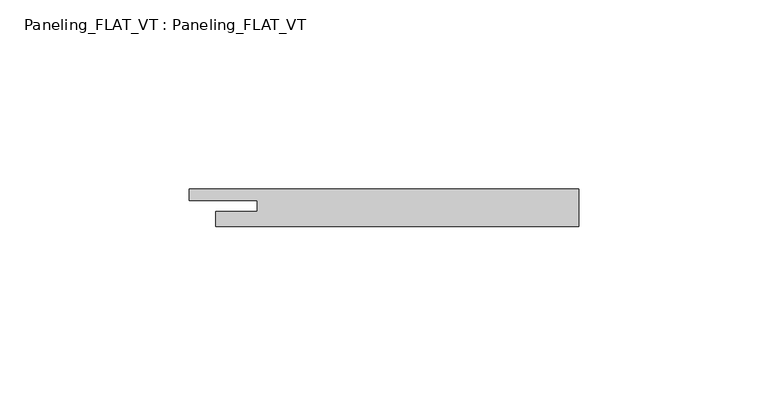
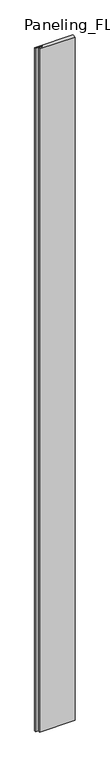
"""IFC4 building model written with IfcOpenShell, lengths in millimetres: plate geometry, Paneling_FLAT_VT : Paneling_FLAT_VT."""

import ifcopenshell
import ifcopenshell.guid

model = None  # the IFC model being written
_history = None  # IfcOwnerHistory: only IFC2X3 demands one
_inside = {}  # id of a spatial element -> (the spatial element, [elements in it])
_under = {}  # id of a project, library or spatial element -> (it, [spatial elements below it])
_declared = {}  # id of a project -> (the project, [libraries it declares])
_typed = {}  # id of a type object -> (the type object, [elements of that type])
_made_of = {}  # id of a material, layer set ... -> (it, [elements and type objects made of it])


def new_model(schema):
    """Start an empty IFC model of exactly this schema.

    Asked for "IFC4X3", IfcOpenShell would pick the latest addendum, in which some entities
    have other attributes; the version numbers below select the first issue.
    IFC2X3 requires an IfcOwnerHistory on every rooted entity: one is made here for all.
    """
    global model, _history
    if schema == "IFC4X3":
        model = ifcopenshell.file(schema_version=(4, 3, 0, 0))
    else:
        model = ifcopenshell.file(schema=schema)
    _inside.clear()
    _under.clear()
    _declared.clear()
    _typed.clear()
    _made_of.clear()
    _history = None
    if model.schema == "IFC2X3":
        org = make("IfcOrganization", Name="unknown")
        user = make(
            "IfcPersonAndOrganization",
            ThePerson=make("IfcPerson", FamilyName="unknown"),
            TheOrganization=org,
        )
        app = make(
            "IfcApplication",
            ApplicationDeveloper=org,
            Version="unknown",
            ApplicationFullName="unknown",
            ApplicationIdentifier="unknown",
        )
        _history = make(
            "IfcOwnerHistory",
            OwningUser=user,
            OwningApplication=app,
            ChangeAction="ADDED",
            CreationDate=0,
        )
    return model


def make(cls, **values):
    """One entity of the class cls with the attributes given. An attribute that is None is left unset."""
    return model.create_entity(
        cls, **{name: value for name, value in values.items() if value is not None}
    )


def rooted(cls, **values):
    """An entity with a GlobalId (a new one), such as an element, a storey or a relation."""
    return make(cls, GlobalId=ifcopenshell.guid.new(), OwnerHistory=_history, **values)


def si_unit(unit_type, name, prefix=None):
    """IfcSIUnit, for example si_unit("LENGTHUNIT", "METRE", prefix="MILLI")."""
    return make("IfcSIUnit", UnitType=unit_type, Prefix=prefix, Name=name)


def assignment(units):
    """IfcUnitAssignment: the units of a project."""
    return None if units is None else make("IfcUnitAssignment", Units=units)


def point(xyz):
    """IfcCartesianPoint."""
    return None if xyz is None else make("IfcCartesianPoint", Coordinates=xyz)


def direction(xyz):
    """IfcDirection."""
    return None if xyz is None else make("IfcDirection", DirectionRatios=xyz)


def frame(location, z_axis=None, x_axis=None):
    """IfcAxis2Placement3D, a coordinate frame: its origin and axes. An axis left out is left unset."""
    return make(
        "IfcAxis2Placement3D",
        Location=point(location),
        Axis=direction(z_axis),
        RefDirection=direction(x_axis),
    )


def origin():
    """The frame at (0, 0, 0) with its axes left unset."""
    return frame((0.0, 0.0, 0.0))


def origin_with_axes():
    """The frame at (0, 0, 0) with the z axis (0, 0, 1) and the x axis (1, 0, 0) written out."""
    return frame((0.0, 0.0, 0.0), z_axis=(0.0, 0.0, 1.0), x_axis=(1.0, 0.0, 0.0))


def place(relative_to, where):
    """IfcLocalPlacement: puts the frame where relative to a parent placement (None: the world)."""
    return make(
        "IfcLocalPlacement", PlacementRelTo=relative_to, RelativePlacement=where
    )


def context(
    kind, dimensions, precision=None, world=None, true_north=None, identifier=None
):
    """IfcGeometricRepresentationContext, for example the 3D "Model" context."""
    return make(
        "IfcGeometricRepresentationContext",
        ContextIdentifier=identifier,
        ContextType=kind,
        CoordinateSpaceDimension=dimensions,
        Precision=precision,
        WorldCoordinateSystem=world,
        TrueNorth=true_north,
    )


def project(units=None, contexts=None):
    """IfcProject with its units and contexts."""
    return rooted(
        "IfcProject",
        Name="project",
        RepresentationContexts=contexts,
        UnitsInContext=assignment(units),
    )


def spatial(cls, under=None, at=None, **own):
    """A site, building, storey or space (cls), placed at a placement, below another one or the project."""
    s = rooted(cls, ObjectPlacement=at, **own)
    if under is not None:
        _under.setdefault(under.id(), (under, []))[1].append(s)
    return s


def polyline(points):
    """IfcPolyline through the points."""
    return make("IfcPolyline", Points=[point(p) for p in points])


def outline(outer, holes=None, kind="AREA"):
    """IfcArbitraryClosedProfileDef: a profile drawn as a closed curve; with holes, ...WithVoids."""
    if holes is None:
        return make("IfcArbitraryClosedProfileDef", ProfileType=kind, OuterCurve=outer)
    return make(
        "IfcArbitraryProfileDefWithVoids",
        ProfileType=kind,
        OuterCurve=outer,
        InnerCurves=holes,
    )


def extrude(swept, where, along, depth):
    """IfcExtrudedAreaSolid: the profile swept, set in the frame where, extruded along a direction by depth."""
    return make(
        "IfcExtrudedAreaSolid",
        SweptArea=swept,
        Position=where,
        ExtrudedDirection=direction(along),
        Depth=depth,
    )


def shape(context_of_items, identifier, shape_type, items):
    """IfcShapeRepresentation: the items that make up one representation, for example the "Body"."""
    return make(
        "IfcShapeRepresentation",
        ContextOfItems=context_of_items,
        RepresentationIdentifier=identifier,
        RepresentationType=shape_type,
        Items=items,
    )


def source(mapping_origin, context_of_items, identifier, shape_type, items):
    """IfcRepresentationMap: a shape defined once, which mapped items show again and again."""
    return make(
        "IfcRepresentationMap",
        MappingOrigin=mapping_origin,
        MappedRepresentation=shape(context_of_items, identifier, shape_type, items),
    )


def transform(
    local_origin,
    x_axis=None,
    y_axis=None,
    z_axis=None,
    scale=None,
    scale2=None,
    scale3=None,
    uniform=True,
):
    """IfcCartesianTransformationOperator3D, or its non-uniform kind. x_axis, y_axis, z_axis: its Axis1, 2, 3."""
    if uniform:
        return make(
            "IfcCartesianTransformationOperator3D",
            Axis1=direction(x_axis),
            Axis2=direction(y_axis),
            LocalOrigin=point(local_origin),
            Scale=scale,
            Axis3=direction(z_axis),
        )
    return make(
        "IfcCartesianTransformationOperator3DnonUniform",
        Axis1=direction(x_axis),
        Axis2=direction(y_axis),
        LocalOrigin=point(local_origin),
        Scale=scale,
        Axis3=direction(z_axis),
        Scale2=scale2,
        Scale3=scale3,
    )


def mapped(mapping_source, mapping_target):
    """IfcMappedItem: shows the shape of a source again, moved by a transform."""
    return make(
        "IfcMappedItem", MappingSource=mapping_source, MappingTarget=mapping_target
    )


def made_of(thing, what):
    """Note that an element or type object is made of a material, layer set ...; save() writes the relation."""
    if what is not None:
        _made_of.setdefault(what.id(), (what, []))[1].append(thing)
    return thing


def element(
    cls,
    number,
    at=None,
    inside=None,
    cuts=None,
    type_object=None,
    material=None,
    context=None,
    identifier="Body",
    shape_type=None,
    held_by="IfcProductDefinitionShape",
    body=None,
    shapes=None,
    **own,
):
    """One element of the class cls, such as IfcWall. Its Tag is "e" and its number.

    at: its placement. inside: the storey or other place that contains it. cuts: it is an
    opening in that element (IfcRelVoidsElement). A single representation is given by context,
    identifier, shape_type and body (its items); several are given by shapes. held_by: the class
    of the entity that holds the representations. save() writes the other relations.
    """
    e = rooted(cls, Tag="e%d" % number, ObjectPlacement=at, **own)
    if body is not None:
        shapes = [shape(context, identifier, shape_type, body)]
    if shapes is not None:
        e.Representation = make(held_by, Representations=shapes)
    if inside is not None:
        _inside.setdefault(inside.id(), (inside, []))[1].append(e)
    if cuts is not None:
        rooted(
            "IfcRelVoidsElement", RelatingBuildingElement=cuts, RelatedOpeningElement=e
        )
    if type_object is not None:
        _typed.setdefault(type_object.id(), (type_object, []))[1].append(e)
    return made_of(e, material)


def aggregate(whole, parts):
    """IfcRelAggregates: a whole, such as a stair, and the parts it consists of."""
    return rooted("IfcRelAggregates", RelatingObject=whole, RelatedObjects=parts)


def save(model, path):
    """Write the relations noted so far, then the file.

    IfcRelAggregates (storeys below a building ...), IfcRelContainedInSpatialStructure (elements
    in a storey), IfcRelDefinesByType, IfcRelAssociatesMaterial and IfcRelDeclares: one each for
    every whole, place, type object, material and project.
    """
    for whole, parts in _under.values():
        aggregate(whole, parts)
    for where, things in _inside.values():
        rooted(
            "IfcRelContainedInSpatialStructure",
            RelatedElements=things,
            RelatingStructure=where,
        )
    for kind, things in _typed.values():
        rooted("IfcRelDefinesByType", RelatedObjects=things, RelatingType=kind)
    for what, things in _made_of.values():
        rooted("IfcRelAssociatesMaterial", RelatedObjects=things, RelatingMaterial=what)
    for by, libraries in _declared.values():
        rooted("IfcRelDeclares", RelatingContext=by, RelatedDefinitions=libraries)
    model.write(path)


def paneling_flat_vt_paneling_flat_vt_718a102b(model_context):
    return source(origin(), model_context, "Body", "SweptSolid", [
        extrude(outline(polyline([(48.0, -5.0), (-48.0, -5.0), (-48.0, -1.0), (-37.0, -1.0), (-37.0, 2.0), (-55.0, 2.0), (-55.0, 5.0), (48.0, 5.0), (48.0, -5.0)])), origin_with_axes(), (0.0, 0.0, 1.0), 1951.0),
    ])


if __name__ == "__main__":
    model = new_model("IFC4")
    model_context = context("Model", 3, world=origin())
    ifc_project = project(units=[si_unit("LENGTHUNIT", "METRE", prefix="MILLI")], contexts=[model_context])
    site = spatial("IfcSite", under=ifc_project)
    building = spatial("IfcBuilding", under=site)
    placement = place(None, origin())
    paneling_flat_vt_paneling_flat_vt_shape = paneling_flat_vt_paneling_flat_vt_718a102b(model_context)
    element("IfcPlate", 1, ObjectType="Paneling_FLAT_VT : Paneling_FLAT_VT", at=placement, inside=building, context=model_context, shape_type="MappedRepresentation", body=[
        mapped(paneling_flat_vt_paneling_flat_vt_shape, transform((0.0, 0.0, 0.0), x_axis=(1.0, 0.0, 0.0), y_axis=(0.0, 1.0, 0.0), z_axis=(0.0, 0.0, 1.0))),
    ])
    save(model, "model.ifc")
